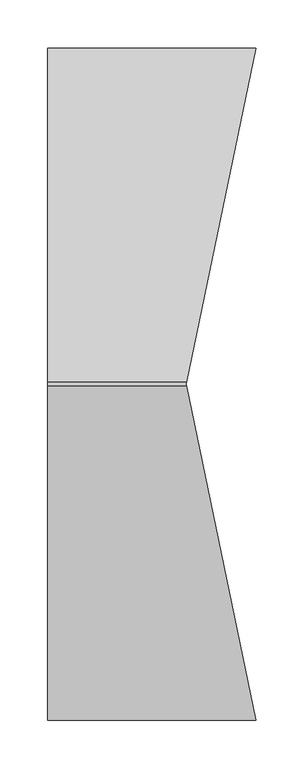
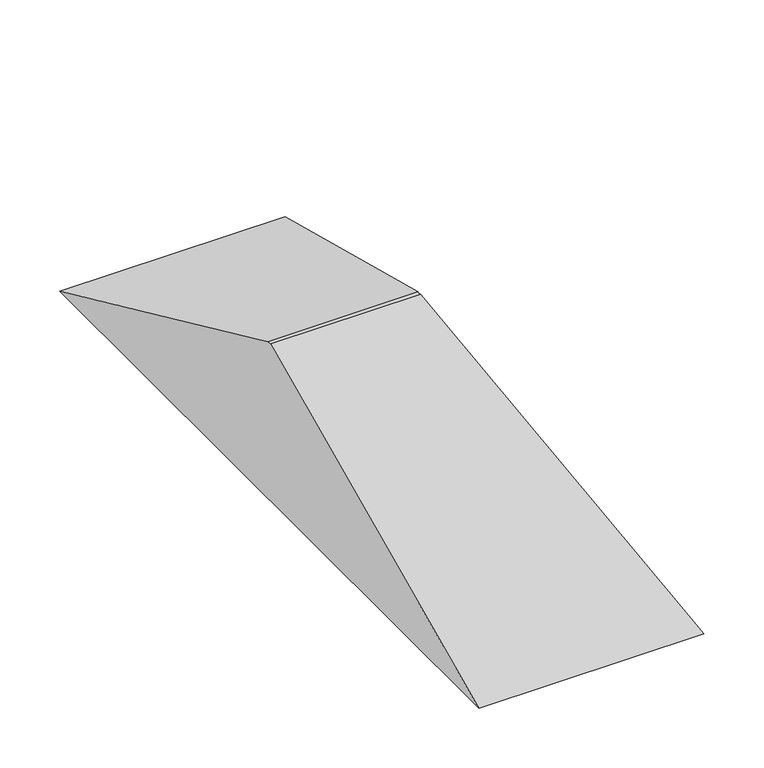
"""IFC4 building model written with IfcOpenShell, lengths in millimetres: proxy geometry."""

from ifc_helpers import new_model, si_unit, origin, place, context, project, spatial, faceted_brep, source, transform, mapped, element, save


def generic_models_733250cf(model_context):
    return source(origin(), model_context, "Body", "Brep", [
        faceted_brep([(144.0, 0.0, 160.0), (144.4171429, 2.0, 160.0), (0.0, 2.0, 160.0), (0.0, -2.0, 160.0), (144.4171429, -2.0, 160.0), (144.0, 0.0, 0.0), (217.0, -350.0, 0.0), (0.0, -350.0, 0.0), (0.0, 350.0, 0.0), (217.0, 350.0, 0.0)], [[[0, 1, 2, 3, 4]], [[5, 6, 7, 8, 9]], [[5, 9, 1, 0]], [[9, 8, 2, 1]], [[8, 7, 3, 2]], [[7, 6, 4, 3]], [[6, 5, 0, 4]]]),
    ])


if __name__ == "__main__":
    model = new_model("IFC4")
    model_context = context("Model", 3, world=origin())
    ifc_project = project(units=[si_unit("LENGTHUNIT", "METRE", prefix="MILLI")], contexts=[model_context])
    site = spatial("IfcSite", under=ifc_project)
    building = spatial("IfcBuilding", under=site)
    placement = place(None, origin())
    generic_models_shape = generic_models_733250cf(model_context)
    element("IfcBuildingElementProxy", 1, Name="Generic Models", at=placement, inside=building, context=model_context, shape_type="MappedRepresentation", body=[
        mapped(generic_models_shape, transform((0.0, 0.0, 0.0), x_axis=(1.0, 0.0, 0.0), y_axis=(0.0, 1.0, 0.0), z_axis=(0.0, 0.0, 1.0))),
    ])
    save(model, "model.ifc")
